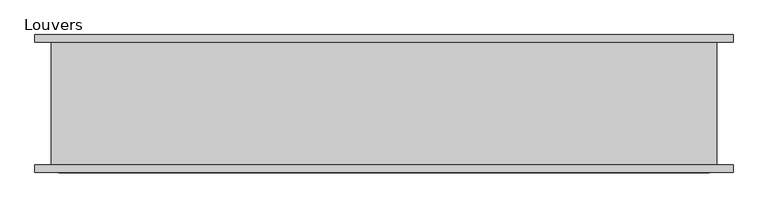
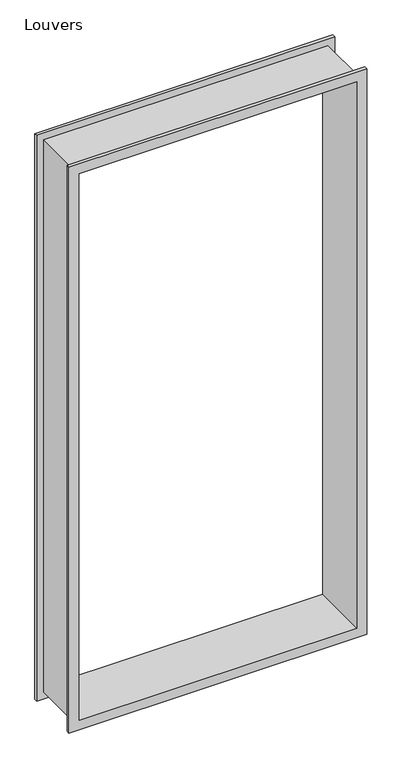
"""IFC4 building model written with IfcOpenShell, lengths in millimetres: proxy geometry, Louvers."""

from ifc_helpers import new_model, si_unit, origin, place, context, project, spatial, faceted_brep, source, transform, mapped, element, save


def louvers_0afe0652(model_context):
    return source(origin(), model_context, "Body", "Brep", [
        faceted_brep([(600.4893929, -7.7140625, -0.0006), (600.4893929, 8.7859375, -0.0006), (600.4893929, 8.7859375, 3047.9944), (600.4893929, -7.7140625, 3047.9944), (548.3933929, 292.2859375, 52.0954), (548.3933929, -7.7140625, 52.0954), (548.3933929, -7.7140625, 2995.8984), (548.3933929, 292.2859375, 2995.8984), (600.4893929, 275.7859375, -0.0006), (600.4893929, 292.2859375, -0.0006), (600.4893929, 292.2859375, 3047.9944), (600.4893929, 275.7859375, 3047.9944), (565.3933929, 8.7859375, 35.0954), (565.3933929, 275.7859375, 35.0954), (565.3933929, 275.7859375, 3012.8984), (565.3933929, 8.7859375, 3012.8984), (-917.6550071, 8.7859375, 3047.9944), (-917.6550071, -7.7140625, 3047.9944), (-865.5590071, -7.7140625, 2995.8984), (-865.5590071, 292.2859375, 2995.8984), (-917.6550071, 292.2859375, 3047.9944), (-917.6550071, 275.7859375, 3047.9944), (-882.5590071, 275.7859375, 3012.8984), (-882.5590071, 8.7859375, 3012.8984), (-917.6550071, 8.7859375, -0.0006), (-917.6550071, -7.7140625, -0.0006), (-865.5590071, -7.7140625, 52.0954), (-865.5590071, 292.2859375, 52.0954), (-917.6550071, 292.2859375, -0.0006), (-917.6550071, 275.7859375, -0.0006), (-882.5590071, 275.7859375, 35.0954), (-882.5590071, 8.7859375, 35.0954)], [[[0, 1, 2, 3]], [[4, 5, 6, 7]], [[8, 9, 10, 11]], [[12, 13, 14, 15]], [[3, 2, 16, 17]], [[7, 6, 18, 19]], [[11, 10, 20, 21]], [[15, 14, 22, 23]], [[17, 16, 24, 25]], [[19, 18, 26, 27]], [[21, 20, 28, 29]], [[23, 22, 30, 31]], [[1, 24, 16, 2], [15, 23, 31, 12]], [[25, 24, 1, 0]], [[3, 17, 25, 0], [5, 26, 18, 6]], [[27, 26, 5, 4]], [[9, 28, 20, 10], [7, 19, 27, 4]], [[29, 28, 9, 8]], [[11, 21, 29, 8], [13, 30, 22, 14]], [[31, 30, 13, 12]]]),
    ])


if __name__ == "__main__":
    model = new_model("IFC4")
    model_context = context("Model", 3, world=origin())
    ifc_project = project(units=[si_unit("LENGTHUNIT", "METRE", prefix="MILLI")], contexts=[model_context])
    site = spatial("IfcSite", under=ifc_project)
    building = spatial("IfcBuilding", under=site)
    placement = place(None, origin())
    louvers_shape = louvers_0afe0652(model_context)
    element("IfcBuildingElementProxy", 1, Name="Louvers", ObjectType="Louvers", at=placement, inside=building, context=model_context, shape_type="MappedRepresentation", body=[
        mapped(louvers_shape, transform((0.0, 0.0, 0.0), x_axis=(1.0, 0.0, 0.0), y_axis=(0.0, 1.0, 0.0), z_axis=(0.0, 0.0, 1.0))),
    ])
    save(model, "model.ifc")
